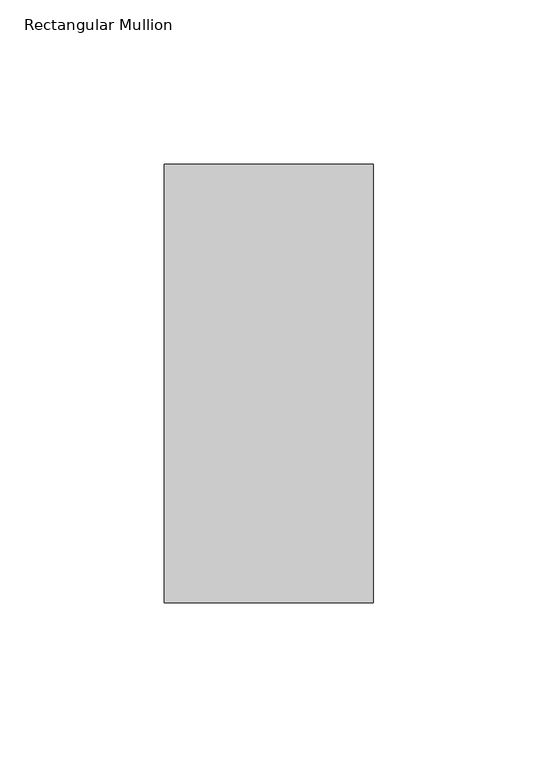
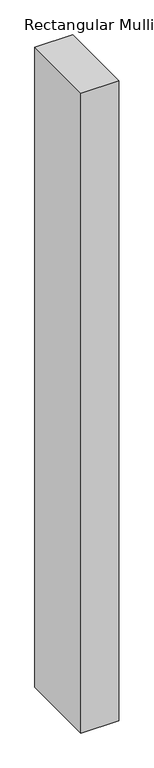
"""IFC4 building model written with IfcOpenShell, lengths in millimetres: member geometry, Rectangular Mullion."""

import ifcopenshell
import ifcopenshell.guid

model = None  # the IFC model being written
_history = None  # IfcOwnerHistory: only IFC2X3 demands one
_inside = {}  # id of a spatial element -> (the spatial element, [elements in it])
_under = {}  # id of a project, library or spatial element -> (it, [spatial elements below it])
_declared = {}  # id of a project -> (the project, [libraries it declares])
_typed = {}  # id of a type object -> (the type object, [elements of that type])
_made_of = {}  # id of a material, layer set ... -> (it, [elements and type objects made of it])


def new_model(schema):
    """Start an empty IFC model of exactly this schema.

    Asked for "IFC4X3", IfcOpenShell would pick the latest addendum, in which some entities
    have other attributes; the version numbers below select the first issue.
    IFC2X3 requires an IfcOwnerHistory on every rooted entity: one is made here for all.
    """
    global model, _history
    if schema == "IFC4X3":
        model = ifcopenshell.file(schema_version=(4, 3, 0, 0))
    else:
        model = ifcopenshell.file(schema=schema)
    _inside.clear()
    _under.clear()
    _declared.clear()
    _typed.clear()
    _made_of.clear()
    _history = None
    if model.schema == "IFC2X3":
        org = make("IfcOrganization", Name="unknown")
        user = make(
            "IfcPersonAndOrganization",
            ThePerson=make("IfcPerson", FamilyName="unknown"),
            TheOrganization=org,
        )
        app = make(
            "IfcApplication",
            ApplicationDeveloper=org,
            Version="unknown",
            ApplicationFullName="unknown",
            ApplicationIdentifier="unknown",
        )
        _history = make(
            "IfcOwnerHistory",
            OwningUser=user,
            OwningApplication=app,
            ChangeAction="ADDED",
            CreationDate=0,
        )
    return model


def make(cls, **values):
    """One entity of the class cls with the attributes given. An attribute that is None is left unset."""
    return model.create_entity(
        cls, **{name: value for name, value in values.items() if value is not None}
    )


def rooted(cls, **values):
    """An entity with a GlobalId (a new one), such as an element, a storey or a relation."""
    return make(cls, GlobalId=ifcopenshell.guid.new(), OwnerHistory=_history, **values)


def si_unit(unit_type, name, prefix=None):
    """IfcSIUnit, for example si_unit("LENGTHUNIT", "METRE", prefix="MILLI")."""
    return make("IfcSIUnit", UnitType=unit_type, Prefix=prefix, Name=name)


def assignment(units):
    """IfcUnitAssignment: the units of a project."""
    return None if units is None else make("IfcUnitAssignment", Units=units)


def point(xyz):
    """IfcCartesianPoint."""
    return None if xyz is None else make("IfcCartesianPoint", Coordinates=xyz)


def direction(xyz):
    """IfcDirection."""
    return None if xyz is None else make("IfcDirection", DirectionRatios=xyz)


def frame(location, z_axis=None, x_axis=None):
    """IfcAxis2Placement3D, a coordinate frame: its origin and axes. An axis left out is left unset."""
    return make(
        "IfcAxis2Placement3D",
        Location=point(location),
        Axis=direction(z_axis),
        RefDirection=direction(x_axis),
    )


def origin():
    """The frame at (0, 0, 0) with its axes left unset."""
    return frame((0.0, 0.0, 0.0))


def place(relative_to, where):
    """IfcLocalPlacement: puts the frame where relative to a parent placement (None: the world)."""
    return make(
        "IfcLocalPlacement", PlacementRelTo=relative_to, RelativePlacement=where
    )


def context(
    kind, dimensions, precision=None, world=None, true_north=None, identifier=None
):
    """IfcGeometricRepresentationContext, for example the 3D "Model" context."""
    return make(
        "IfcGeometricRepresentationContext",
        ContextIdentifier=identifier,
        ContextType=kind,
        CoordinateSpaceDimension=dimensions,
        Precision=precision,
        WorldCoordinateSystem=world,
        TrueNorth=true_north,
    )


def project(units=None, contexts=None):
    """IfcProject with its units and contexts."""
    return rooted(
        "IfcProject",
        Name="project",
        RepresentationContexts=contexts,
        UnitsInContext=assignment(units),
    )


def spatial(cls, under=None, at=None, **own):
    """A site, building, storey or space (cls), placed at a placement, below another one or the project."""
    s = rooted(cls, ObjectPlacement=at, **own)
    if under is not None:
        _under.setdefault(under.id(), (under, []))[1].append(s)
    return s


def polyline(points):
    """IfcPolyline through the points."""
    return make("IfcPolyline", Points=[point(p) for p in points])


def outline(outer, holes=None, kind="AREA"):
    """IfcArbitraryClosedProfileDef: a profile drawn as a closed curve; with holes, ...WithVoids."""
    if holes is None:
        return make("IfcArbitraryClosedProfileDef", ProfileType=kind, OuterCurve=outer)
    return make(
        "IfcArbitraryProfileDefWithVoids",
        ProfileType=kind,
        OuterCurve=outer,
        InnerCurves=holes,
    )


def extrude(swept, where, along, depth):
    """IfcExtrudedAreaSolid: the profile swept, set in the frame where, extruded along a direction by depth."""
    return make(
        "IfcExtrudedAreaSolid",
        SweptArea=swept,
        Position=where,
        ExtrudedDirection=direction(along),
        Depth=depth,
    )


def shape(context_of_items, identifier, shape_type, items):
    """IfcShapeRepresentation: the items that make up one representation, for example the "Body"."""
    return make(
        "IfcShapeRepresentation",
        ContextOfItems=context_of_items,
        RepresentationIdentifier=identifier,
        RepresentationType=shape_type,
        Items=items,
    )


def source(mapping_origin, context_of_items, identifier, shape_type, items):
    """IfcRepresentationMap: a shape defined once, which mapped items show again and again."""
    return make(
        "IfcRepresentationMap",
        MappingOrigin=mapping_origin,
        MappedRepresentation=shape(context_of_items, identifier, shape_type, items),
    )


def transform(
    local_origin,
    x_axis=None,
    y_axis=None,
    z_axis=None,
    scale=None,
    scale2=None,
    scale3=None,
    uniform=True,
):
    """IfcCartesianTransformationOperator3D, or its non-uniform kind. x_axis, y_axis, z_axis: its Axis1, 2, 3."""
    if uniform:
        return make(
            "IfcCartesianTransformationOperator3D",
            Axis1=direction(x_axis),
            Axis2=direction(y_axis),
            LocalOrigin=point(local_origin),
            Scale=scale,
            Axis3=direction(z_axis),
        )
    return make(
        "IfcCartesianTransformationOperator3DnonUniform",
        Axis1=direction(x_axis),
        Axis2=direction(y_axis),
        LocalOrigin=point(local_origin),
        Scale=scale,
        Axis3=direction(z_axis),
        Scale2=scale2,
        Scale3=scale3,
    )


def mapped(mapping_source, mapping_target):
    """IfcMappedItem: shows the shape of a source again, moved by a transform."""
    return make(
        "IfcMappedItem", MappingSource=mapping_source, MappingTarget=mapping_target
    )


def made_of(thing, what):
    """Note that an element or type object is made of a material, layer set ...; save() writes the relation."""
    if what is not None:
        _made_of.setdefault(what.id(), (what, []))[1].append(thing)
    return thing


def element(
    cls,
    number,
    at=None,
    inside=None,
    cuts=None,
    type_object=None,
    material=None,
    context=None,
    identifier="Body",
    shape_type=None,
    held_by="IfcProductDefinitionShape",
    body=None,
    shapes=None,
    **own,
):
    """One element of the class cls, such as IfcWall. Its Tag is "e" and its number.

    at: its placement. inside: the storey or other place that contains it. cuts: it is an
    opening in that element (IfcRelVoidsElement). A single representation is given by context,
    identifier, shape_type and body (its items); several are given by shapes. held_by: the class
    of the entity that holds the representations. save() writes the other relations.
    """
    e = rooted(cls, Tag="e%d" % number, ObjectPlacement=at, **own)
    if body is not None:
        shapes = [shape(context, identifier, shape_type, body)]
    if shapes is not None:
        e.Representation = make(held_by, Representations=shapes)
    if inside is not None:
        _inside.setdefault(inside.id(), (inside, []))[1].append(e)
    if cuts is not None:
        rooted(
            "IfcRelVoidsElement", RelatingBuildingElement=cuts, RelatedOpeningElement=e
        )
    if type_object is not None:
        _typed.setdefault(type_object.id(), (type_object, []))[1].append(e)
    return made_of(e, material)


def aggregate(whole, parts):
    """IfcRelAggregates: a whole, such as a stair, and the parts it consists of."""
    return rooted("IfcRelAggregates", RelatingObject=whole, RelatedObjects=parts)


def save(model, path):
    """Write the relations noted so far, then the file.

    IfcRelAggregates (storeys below a building ...), IfcRelContainedInSpatialStructure (elements
    in a storey), IfcRelDefinesByType, IfcRelAssociatesMaterial and IfcRelDeclares: one each for
    every whole, place, type object, material and project.
    """
    for whole, parts in _under.values():
        aggregate(whole, parts)
    for where, things in _inside.values():
        rooted(
            "IfcRelContainedInSpatialStructure",
            RelatedElements=things,
            RelatingStructure=where,
        )
    for kind, things in _typed.values():
        rooted("IfcRelDefinesByType", RelatedObjects=things, RelatingType=kind)
    for what, things in _made_of.values():
        rooted("IfcRelAssociatesMaterial", RelatedObjects=things, RelatingMaterial=what)
    for by, libraries in _declared.values():
        rooted("IfcRelDeclares", RelatingContext=by, RelatedDefinitions=libraries)
    model.write(path)


def rectangular_mullion_c46aafd2(model_context):
    return source(origin(), model_context, "Body", "SweptSolid", [
        extrude(outline(polyline([(31.75, 192.88125), (31.75, 59.53125), (-31.75, 59.53125), (-31.75, 192.88125), (31.75, 192.88125)])), frame((0.0, 0.0, -1130.3), z_axis=(0.0, 0.0, 1.0), x_axis=(1.0, 0.0, 0.0)), (0.0, 0.0, 1.0), 1130.3),
    ])


if __name__ == "__main__":
    model = new_model("IFC4")
    model_context = context("Model", 3, world=origin())
    ifc_project = project(units=[si_unit("LENGTHUNIT", "METRE", prefix="MILLI")], contexts=[model_context])
    site = spatial("IfcSite", under=ifc_project)
    building = spatial("IfcBuilding", under=site)
    placement = place(None, origin())
    rectangular_mullion_shape = rectangular_mullion_c46aafd2(model_context)
    element("IfcMember", 1, ObjectType="Rectangular Mullion", at=placement, inside=building, context=model_context, shape_type="MappedRepresentation", body=[
        mapped(rectangular_mullion_shape, transform((0.0, 0.0, 0.0), x_axis=(1.0, 0.0, 0.0), y_axis=(0.0, 1.0, 0.0), z_axis=(0.0, 0.0, 1.0))),
    ])
    save(model, "model.ifc")
